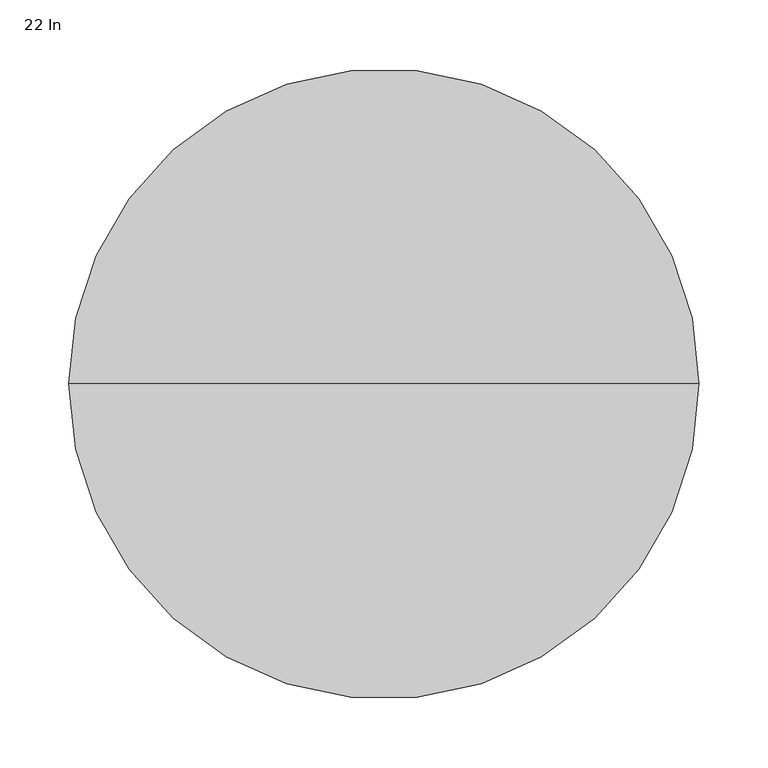
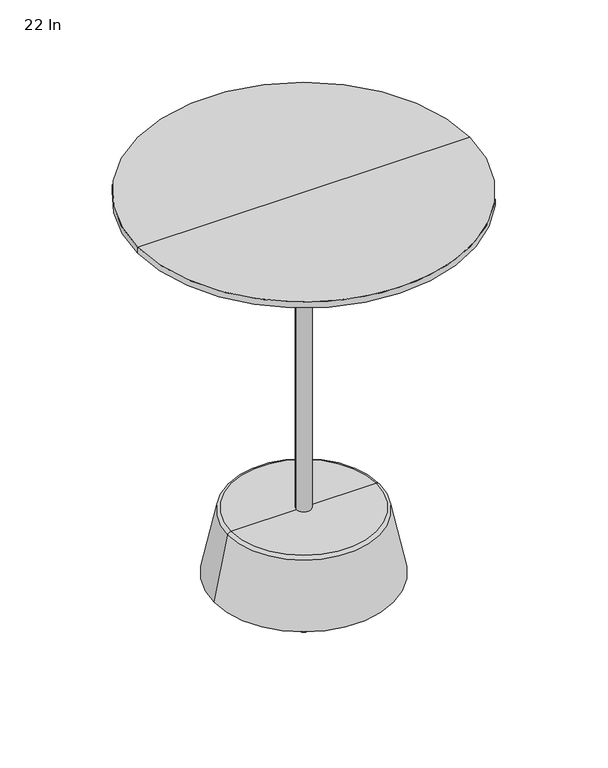
"""IFC4 building model written with IfcOpenShell, lengths in millimetres: furniture geometry, 22 In."""

from ifc_helpers import new_model, si_unit, point, frame, frame_2d, origin, origin_with_axes, place, context, project, spatial, polyline, circle_curve, ellipse_curve, trimmed, segment, composite_curve, outline, extrude, source, transform, mapped, element, save
from ifc_brep_helpers import plane_surface, cylinder_surface, revolved_surface, advanced_brep


def furniture_22_in_89b65f4f(model_context):
    return source(origin(), model_context, "Body", "SolidModel", [
        extrude(outline(composite_curve([segment(trimmed(circle_curve(frame_2d((-472.1304096, 345.7919098)), 6.35), [point((-478.4804096, 345.7919098))], [point((-465.7804096, 345.7919098))], False, "CARTESIAN"), True, "CONTINUOUS"), segment(trimmed(circle_curve(frame_2d((-472.1304096, 345.7919098)), 6.35), [point((-465.7804096, 345.7919098))], [point((-478.4804096, 345.7919098))], False, "CARTESIAN"), True, "CONTINUOUS")], self_intersect=False)), origin_with_axes(), (0.0, 0.0, 1.0), 4.7498),
        extrude(outline(composite_curve([segment(trimmed(circle_curve(frame_2d((-416.632159, 441.9176997)), 6.35), [point((-422.982159, 441.9176997))], [point((-410.282159, 441.9176997))], False, "CARTESIAN"), True, "CONTINUOUS"), segment(trimmed(circle_curve(frame_2d((-416.632159, 441.9176997)), 6.35), [point((-410.282159, 441.9176997))], [point((-422.982159, 441.9176997))], False, "CARTESIAN"), True, "CONTINUOUS")], self_intersect=False)), origin_with_axes(), (0.0, 0.0, 1.0), 4.7498),
        extrude(outline(composite_curve([segment(trimmed(circle_curve(frame_2d((-416.632159, 249.6661199)), 6.35), [point((-422.982159, 249.6661199))], [point((-410.282159, 249.6661199))], False, "CARTESIAN"), True, "CONTINUOUS"), segment(trimmed(circle_curve(frame_2d((-416.632159, 249.6661199)), 6.35), [point((-410.282159, 249.6661199))], [point((-422.982159, 249.6661199))], False, "CARTESIAN"), True, "CONTINUOUS")], self_intersect=False)), origin_with_axes(), (0.0, 0.0, 1.0), 4.7498),
        extrude(outline(composite_curve([segment(trimmed(circle_curve(frame_2d((-250.1374069, 345.7919098)), 6.35), [point((-256.4874069, 345.7919098))], [point((-243.7874069, 345.7919098))], False, "CARTESIAN"), True, "CONTINUOUS"), segment(trimmed(circle_curve(frame_2d((-250.1374069, 345.7919098)), 6.35), [point((-243.7874069, 345.7919098))], [point((-256.4874069, 345.7919098))], False, "CARTESIAN"), True, "CONTINUOUS")], self_intersect=False)), origin_with_axes(), (0.0, 0.0, 1.0), 4.7498),
        extrude(outline(composite_curve([segment(trimmed(circle_curve(frame_2d((-305.6356576, 441.9176997)), 6.35), [point((-311.9856576, 441.9176997))], [point((-299.2856576, 441.9176997))], False, "CARTESIAN"), True, "CONTINUOUS"), segment(trimmed(circle_curve(frame_2d((-305.6356576, 441.9176997)), 6.35), [point((-299.2856576, 441.9176997))], [point((-311.9856576, 441.9176997))], False, "CARTESIAN"), True, "CONTINUOUS")], self_intersect=False)), origin_with_axes(), (0.0, 0.0, 1.0), 4.7498),
        extrude(outline(composite_curve([segment(trimmed(circle_curve(frame_2d((-305.6356576, 249.6661199)), 6.35), [point((-311.9856576, 249.6661199))], [point((-299.2856576, 249.6661199))], False, "CARTESIAN"), True, "CONTINUOUS"), segment(trimmed(circle_curve(frame_2d((-305.6356576, 249.6661199)), 6.35), [point((-299.2856576, 249.6661199))], [point((-311.9856576, 249.6661199))], False, "CARTESIAN"), True, "CONTINUOUS")], self_intersect=False)), origin_with_axes(), (0.0, 0.0, 1.0), 4.7498),
        advanced_brep(
        [(-484.4825459, 345.7919098, 4.7498), (-237.7852707, 345.7919098, 4.7498), (-256.6451057, 345.7919098, 95.9621374), (-465.6227108, 345.7919098, 95.9621374), (-361.1339083, 345.7919098, 4.7498), (-460.9713015, 345.7919098, 99.7501727), (-261.2965151, 345.7919098, 99.7501727), (-361.1339083, 345.7919098, 99.7501727)],
        [
            (0, 1, circle_curve(frame((-361.1339083, 345.7919098, 4.7498), z_axis=(0.0, 0.0, 1.0), x_axis=(1.0, 0.0, 0.0)), 123.3486376)),
            (1, 2),
            (2, 3, circle_curve(frame((-361.1339083, 345.7919098, 95.9621374), z_axis=(0.0, 0.0, -1.0), x_axis=(1.0, 0.0, 0.0)), 104.4888025)),
            (3, 0),
            (1, 0, circle_curve(frame((-361.1339083, 345.7919098, 4.7498), z_axis=(0.0, 0.0, 1.0), x_axis=(1.0, 0.0, 0.0)), 123.3486376)),
            (3, 2, circle_curve(frame((-361.1339083, 345.7919098, 95.9621374), z_axis=(0.0, 0.0, -1.0), x_axis=(1.0, 0.0, 0.0)), 104.4888025)),
            (4, 1),
            (0, 4),
            (5, 6, circle_curve(frame((-361.1339083, 345.7919098, 99.7501727), z_axis=(0.0, 0.0, 1.0), x_axis=(1.0, 0.0, 0.0)), 99.8373932)),
            (6, 7),
            (7, 5),
            (6, 5, circle_curve(frame((-361.1339083, 345.7919098, 99.7501727), z_axis=(0.0, 0.0, 1.0), x_axis=(1.0, 0.0, 0.0)), 99.8373932)),
            (2, 6, circle_curve(frame((-261.2965151, 345.7919098, 95.0003727), z_axis=(0.0, -1.0, 0.0), x_axis=(-1.0, 0.0, 0.0)), 4.7498)),
            (5, 3, circle_curve(frame((-460.9713015, 345.7919098, 95.0003727), z_axis=(0.0, -1.0, 0.0), x_axis=(1.0, 0.0, 0.0)), 4.7498)),
        ],
        [
            revolved_surface(polyline([(-256.6451057, 345.7919098, 95.9621374), (-237.7852707, 345.7919098, 4.7498)]), (-361.1339083, 345.7919098, -146.05), (0.0, 0.0, -1.0)),
            plane_surface(frame((-361.1339083, 345.7919098, 4.7498), z_axis=(0.0, 0.0, -1.0), x_axis=(1.0, 0.0, 0.0))),
            plane_surface(frame((-361.1339083, 345.7919098, 99.7501727), z_axis=(0.0, 0.0, 1.0), x_axis=(1.0, 0.0, 0.0))),
            revolved_surface(trimmed(ellipse_curve(frame((-261.2965151, 345.7919098, 95.0003727), z_axis=(0.0, 1.0, 0.0), x_axis=(-1.0, 0.0, 0.0)), 4.7498, 4.7498), [point((-261.2965151, 345.7919098, 99.7501727))], [point((-256.6451057, 345.7919098, 95.9621374))], True, "CARTESIAN"), (-361.1339083, 345.7919098, -146.05), (0.0, 0.0, -1.0)),
        ],
        [
            (0, [[1, 2, 3, 4]]),
            (0, [[5, -4, 6, -2]]),
            (1, [[7, -1, 8]]),
            (1, [[-8, -5, -7]]),
            (2, [[9, 10, 11]]),
            (2, [[12, -11, -10]]),
            (3, [[-3, 13, -9, 14]]),
            (3, [[-6, -14, -12, -13]]),
        ],
    ),
        extrude(outline(composite_curve([segment(trimmed(circle_curve(frame_2d((-361.1339083, 345.7919098)), 10.0602136), [point((-371.1941219, 345.7919098))], [point((-351.0736946, 345.7919098))], False, "CARTESIAN"), True, "CONTINUOUS"), segment(trimmed(circle_curve(frame_2d((-361.1339083, 345.7919098)), 10.0602136), [point((-351.0736946, 345.7919098))], [point((-371.1941219, 345.7919098))], False, "CARTESIAN"), True, "CONTINUOUS")], self_intersect=False)), frame((0.0, 0.0, 99.7501727), z_axis=(0.0, 0.0, 1.0), x_axis=(1.0, 0.0, 0.0)), (0.0, 0.0, 1.0), 430.6242406),
        advanced_brep(
        [(-361.1339083, 441.6994553, 530.3744133), (-361.1339083, 249.8843643, 530.3744133), (-361.1339083, 249.8843643, 533.9805597), (-361.1339083, 441.6994553, 533.9805597), (-361.1339083, 345.7919098, 530.3744133), (-361.1339083, 345.7919098, 533.9805597)],
        [
            (0, 1, circle_curve(frame((-361.1339083, 345.7919098, 530.3744133), z_axis=(0.0, 0.0, 1.0), x_axis=(0.0, -1.0, 0.0)), 95.9075455)),
            (1, 2),
            (2, 3, circle_curve(frame((-361.1339083, 345.7919098, 533.9805597), z_axis=(0.0, 0.0, -1.0), x_axis=(0.0, -1.0, 0.0)), 95.9075455)),
            (3, 0),
            (1, 0, circle_curve(frame((-361.1339083, 345.7919098, 530.3744133), z_axis=(0.0, 0.0, 1.0), x_axis=(0.0, -1.0, 0.0)), 95.9075455)),
            (3, 2, circle_curve(frame((-361.1339083, 345.7919098, 533.9805597), z_axis=(0.0, 0.0, -1.0), x_axis=(0.0, -1.0, 0.0)), 95.9075455)),
            (4, 1),
            (0, 4),
            (2, 5),
            (5, 3),
        ],
        [
            cylinder_surface(frame((-361.1339083, 345.7919098, 654.05), z_axis=(0.0, 0.0, -1.0), x_axis=(0.0, -1.0, 0.0)), 95.9075455),
            plane_surface(frame((-361.1339083, 345.7919098, 530.3744133), z_axis=(0.0, 0.0, -1.0), x_axis=(0.0, -1.0, 0.0))),
            plane_surface(frame((-361.1339083, 345.7919098, 533.9805597), z_axis=(0.0, 0.0, 1.0), x_axis=(0.0, -1.0, 0.0))),
        ],
        [
            (0, [[1, 2, 3, 4]]),
            (0, [[5, -4, 6, -2]]),
            (1, [[7, -1, 8]]),
            (1, [[-8, -5, -7]]),
            (2, [[-3, 9, 10]]),
            (2, [[-6, -10, -9]]),
        ],
    ),
        advanced_brep(
        [(-589.7339083, 345.7919098, 549.8760085), (-132.5339083, 345.7919098, 549.8760085), (-132.5339083, 345.7919098, 558.8), (-589.7339083, 345.7919098, 558.8), (-554.2839042, 345.7919098, 533.9805597), (-167.9839124, 345.7919098, 533.9805597), (-361.1339083, 345.7919098, 533.9805597), (-361.1339083, 345.7919098, 558.8)],
        [
            (0, 1, circle_curve(frame((-361.1339083, 345.7919098, 549.8760085), z_axis=(0.0, 0.0, 1.0), x_axis=(1.0, 0.0, 0.0)), 228.6)),
            (1, 2),
            (2, 3, circle_curve(frame((-361.1339083, 345.7919098, 558.8), z_axis=(0.0, 0.0, -1.0), x_axis=(1.0, 0.0, 0.0)), 228.6)),
            (3, 0),
            (1, 0, circle_curve(frame((-361.1339083, 345.7919098, 549.8760085), z_axis=(0.0, 0.0, 1.0), x_axis=(1.0, 0.0, 0.0)), 228.6)),
            (3, 2, circle_curve(frame((-361.1339083, 345.7919098, 558.8), z_axis=(0.0, 0.0, -1.0), x_axis=(1.0, 0.0, 0.0)), 228.6)),
            (4, 5, circle_curve(frame((-361.1339083, 345.7919098, 533.9805597), z_axis=(0.0, 0.0, 1.0), x_axis=(1.0, 0.0, 0.0)), 193.1499959)),
            (5, 1),
            (0, 4),
            (5, 4, circle_curve(frame((-361.1339083, 345.7919098, 533.9805597), z_axis=(0.0, 0.0, 1.0), x_axis=(1.0, 0.0, 0.0)), 193.1499959)),
            (6, 5),
            (4, 6),
            (2, 7),
            (7, 3),
        ],
        [
            cylinder_surface(frame((-361.1339083, 345.7919098, 717.4165393), z_axis=(0.0, 0.0, -1.0), x_axis=(1.0, 0.0, 0.0)), 228.6),
            revolved_surface(polyline([(-132.5339083, 345.7919098, 549.8760085), (-167.9839124, 345.7919098, 533.9805597)]), (-361.1339083, 345.7919098, 717.4165393), (0.0, 0.0, -1.0)),
            plane_surface(frame((-361.1339083, 345.7919098, 533.9805597), z_axis=(0.0, 0.0, -1.0), x_axis=(1.0, 0.0, 0.0))),
            plane_surface(frame((-361.1339083, 345.7919098, 558.8), z_axis=(0.0, 0.0, 1.0), x_axis=(1.0, 0.0, 0.0))),
        ],
        [
            (0, [[1, 2, 3, 4]]),
            (0, [[5, -4, 6, -2]]),
            (1, [[7, 8, -1, 9]]),
            (1, [[10, -9, -5, -8]]),
            (2, [[11, -7, 12]]),
            (2, [[-12, -10, -11]]),
            (3, [[-3, 13, 14]]),
            (3, [[-6, -14, -13]]),
        ],
    ),
    ])


if __name__ == "__main__":
    model = new_model("IFC4")
    model_context = context("Model", 3, world=origin())
    ifc_project = project(units=[si_unit("LENGTHUNIT", "METRE", prefix="MILLI")], contexts=[model_context])
    site = spatial("IfcSite", under=ifc_project)
    building = spatial("IfcBuilding", under=site)
    placement = place(None, origin())
    furniture_22_in_shape = furniture_22_in_89b65f4f(model_context)
    element("IfcFurniture", 1, ObjectType="22 In", at=placement, inside=building, context=model_context, shape_type="MappedRepresentation", body=[
        mapped(furniture_22_in_shape, transform((0.0, 0.0, 0.0), x_axis=(1.0, 0.0, 0.0), y_axis=(0.0, 1.0, 0.0), z_axis=(0.0, 0.0, 1.0))),
    ])
    save(model, "model.ifc")
